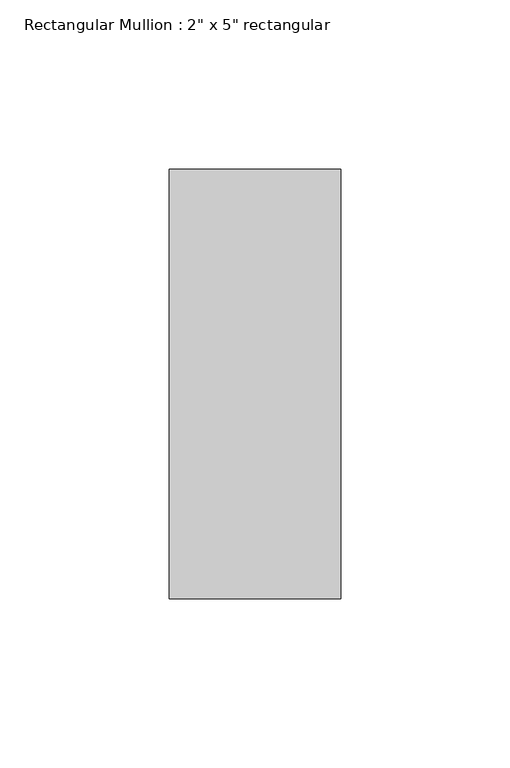
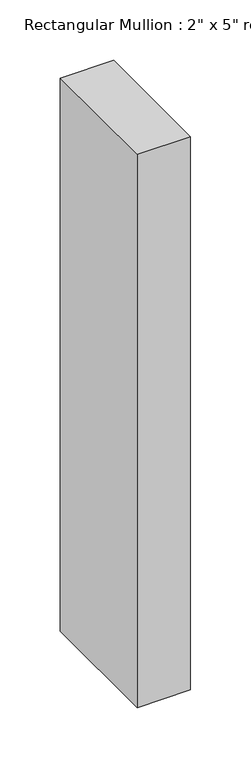
"""IFC4 building model written with IfcOpenShell, lengths in millimetres: member geometry."""

from ifc_helpers import new_model, si_unit, frame, origin, place, context, project, spatial, polyline, outline, extrude, source, transform, mapped, element, save


def member_50d56bf7(model_context):
    return source(origin(), model_context, "Body", "SweptSolid", [
        extrude(outline(polyline([(0.0, 63.5), (0.0, -63.5), (-50.8, -63.5), (-50.8, 63.5), (0.0, 63.5)])), frame((0.0, 0.0, -558.8), z_axis=(0.0, 0.0, 1.0), x_axis=(1.0, 0.0, 0.0)), (0.0, 0.0, 1.0), 558.8),
    ])


if __name__ == "__main__":
    model = new_model("IFC4")
    model_context = context("Model", 3, world=origin())
    ifc_project = project(units=[si_unit("LENGTHUNIT", "METRE", prefix="MILLI")], contexts=[model_context])
    site = spatial("IfcSite", under=ifc_project)
    building = spatial("IfcBuilding", under=site)
    placement = place(None, origin())
    member_shape = member_50d56bf7(model_context)
    element("IfcMember", 1, ObjectType="Rectangular Mullion : 2\" x 5\" rectangular", at=placement, inside=building, context=model_context, shape_type="MappedRepresentation", body=[
        mapped(member_shape, transform((0.0, 0.0, 0.0), x_axis=(1.0, 0.0, 0.0), y_axis=(0.0, 1.0, 0.0), z_axis=(0.0, 0.0, 1.0))),
    ])
    save(model, "model.ifc")
